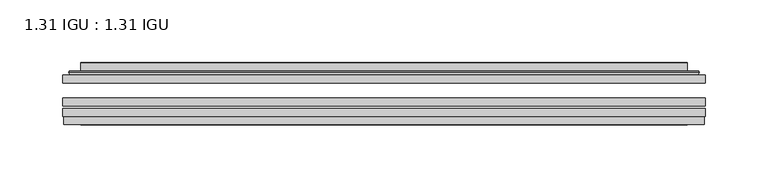
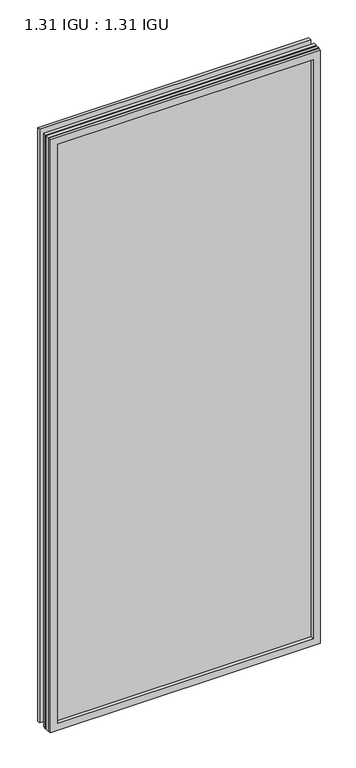
"""IFC4 building model written with IfcOpenShell, lengths in millimetres: plate geometry, 1.31 IGU : 1.31 IGU."""

from ifc_helpers import new_model, si_unit, frame, origin, place, context, project, spatial, polyline, ellipse_curve, outline, extrude, faceted_brep, source, transform, mapped, element, save
from ifc_brep_helpers import plane_surface, cylinder_surface, advanced_brep


def plate_1_31_igu_1_31_igu_9a8dfbed(model_context):
    return source(origin(), model_context, "Body", "SolidModel", [
        extrude(outline(polyline([(255.601675, -63.59525), (255.601675, -69.94525), (-255.5875, -69.94525), (-255.5875, -63.59525), (255.601675, -63.59525)])), frame((0.0, 0.0, -14.2875), z_axis=(0.0, 0.0, 1.0), x_axis=(1.0, 0.0, 0.0)), (0.0, 0.0, 1.0), 1184.2787979),
        extrude(outline(polyline([(-255.5875, -78.58125), (-255.5875, -72.230745), (255.601675, -72.230745), (255.601675, -78.58125), (-255.5875, -78.58125)])), frame((0.0, 0.0, -14.2875), z_axis=(0.0, 0.0, 1.0), x_axis=(1.0, 0.0, 0.0)), (0.0, 0.0, 1.0), 1184.2787979),
        extrude(outline(polyline([(255.601675, -45.25645), (255.601675, -51.60645), (-255.5875, -51.60645), (-255.5875, -45.25645), (255.601675, -45.25645)])), frame((0.0, 0.0, -14.2875), z_axis=(0.0, 0.0, 1.0), x_axis=(1.0, 0.0, 0.0)), (0.0, 0.0, 1.0), 1184.2787979),
        faceted_brep([(-254.8873142, -84.93125, 1169.2873142), (-254.8873142, -78.58125, 1169.2873142), (-254.8873142, -78.58125, -13.5873142), (-254.8873142, -84.93125, -13.5873142), (254.8873142, -78.58125, -13.5873142), (254.8873142, -84.93125, -13.5873142), (254.8873142, -78.58125, 1169.2873142), (254.8873142, -84.93125, 1169.2873142), (-240.4022559, -78.58125, 0.8977441), (240.4022559, -78.58125, 0.8977441), (240.4022559, -78.58125, 1154.8022559), (-240.4022559, -78.58125, 1154.8022559), (-241.2946902, -84.93125, 1155.6946902), (241.2946902, -84.93125, 1155.6946902), (241.2946902, -84.93125, 0.0053098), (-241.2946902, -84.93125, 0.0053098)], [[[0, 1, 2, 3]], [[3, 2, 4, 5]], [[5, 4, 6, 7]], [[1, 6, 4, 2], [8, 9, 10, 11]], [[7, 6, 1, 0]], [[3, 5, 7, 0], [12, 13, 14, 15]], [[11, 12, 15, 8]], [[8, 15, 14, 9]], [[9, 14, 13, 10]], [[10, 13, 12, 11]]]),
        advanced_brep(
        [(-248.346219, -45.25645, 1162.746219), (-250.7004244, -43.2667833, 1165.1004244), (-250.7004244, -43.2667833, -9.4004244), (-248.346219, -45.25645, -7.046219), (-239.2718939, -41.416413, 1153.6718939), (-234.3370621, -45.25645, 1148.7370621), (-234.3370621, -45.25645, 6.9629379), (-239.2718939, -41.416413, 2.0281061), (-240.3039217, -36.0191819, 1154.7039217), (-240.3039217, -36.0191819, 0.9960783), (-241.2945784, -35.6202069, 1155.6945784), (-241.2945784, -35.6202069, 0.0054216), (-241.2945784, -42.08145, 1155.6945784), (-241.2945784, -42.08145, 0.0054216), (-249.6986349, -42.08145, 1164.0986349), (-249.6986349, -42.08145, -8.3986349), (250.7004244, -43.2667833, -9.4004244), (248.346219, -45.25645, -7.046219), (234.3370621, -45.25645, 6.9629379), (239.2718939, -41.416413, 2.0281061), (240.3039217, -36.0191819, 0.9960783), (241.2945784, -35.6202069, 0.0054216), (241.2945784, -42.08145, 0.0054216), (249.6986349, -42.08145, -8.3986349), (250.7004244, -43.2667833, 1165.1004244), (248.346219, -45.25645, 1162.746219), (234.3370621, -45.25645, 1148.7370621), (239.2718939, -41.416413, 1153.6718939), (240.3039217, -36.0191819, 1154.7039217), (241.2945784, -35.6202069, 1155.6945784), (241.2945784, -42.08145, 1155.6945784), (249.6986349, -42.08145, 1164.0986349)],
        [
            (0, 1, ellipse_curve(frame((-248.346219, -42.86885, 1162.746219), z_axis=(-0.7071067811865475, 0.0, -0.7071067811865475), x_axis=(-0.7071067811865474, 0.0, 0.7071067811865476)), 3.3765763, 2.3876)),
            (1, 2),
            (2, 3, ellipse_curve(frame((-248.346219, -42.86885, -7.046219), z_axis=(-0.7071067811865475, 0.0, 0.7071067811865475), x_axis=(0.7071067811865474, 0.0, 0.7071067811865476)), 3.3765763, 2.3876)),
            (3, 0),
            (4, 5),
            (5, 6),
            (6, 7),
            (7, 4),
            (8, 4),
            (7, 9),
            (9, 8),
            (10, 8, ellipse_curve(frame((-240.9276219, -36.1384423, 1155.3276219), z_axis=(-0.7071067811865475, 0.0, -0.7071067811865475), x_axis=(-0.7071067811865474, 0.0, 0.7071067811865476)), 0.8980256, 0.635)),
            (9, 11, ellipse_curve(frame((-240.9276219, -36.1384423, 0.3723781), z_axis=(-0.7071067811865475, 0.0, 0.7071067811865475), x_axis=(0.7071067811865474, 0.0, 0.7071067811865476)), 0.8980256, 0.635)),
            (11, 10),
            (12, 10),
            (11, 13),
            (13, 12),
            (1, 14, ellipse_curve(frame((-249.6986349, -43.09745, 1164.0986349), z_axis=(-0.7071067811865475, 0.0, -0.7071067811865475), x_axis=(-0.7071067811865474, 0.0, 0.7071067811865476)), 1.436841, 1.016)),
            (14, 15),
            (15, 2, ellipse_curve(frame((-249.6986349, -43.09745, -8.3986349), z_axis=(-0.7071067811865475, 0.0, 0.7071067811865475), x_axis=(0.7071067811865474, 0.0, 0.7071067811865476)), 1.436841, 1.016)),
            (2, 16),
            (16, 17, ellipse_curve(frame((248.346219, -42.86885, -7.046219), z_axis=(-0.7071067811865475, 0.0, -0.7071067811865475), x_axis=(-0.7071067811865476, 0.0, 0.7071067811865474)), 3.3765763, 2.3876)),
            (17, 3),
            (6, 18),
            (18, 19),
            (19, 7),
            (19, 20),
            (20, 9),
            (20, 21, ellipse_curve(frame((240.9276219, -36.1384423, 0.3723781), z_axis=(-0.7071067811865475, 0.0, -0.7071067811865475), x_axis=(-0.7071067811865476, 0.0, 0.7071067811865474)), 0.8980256, 0.635)),
            (21, 11),
            (21, 22),
            (22, 13),
            (15, 23),
            (23, 16, ellipse_curve(frame((249.6986349, -43.09745, -8.3986349), z_axis=(-0.7071067811865475, 0.0, -0.7071067811865475), x_axis=(-0.7071067811865476, 0.0, 0.7071067811865474)), 1.436841, 1.016)),
            (16, 24),
            (24, 25, ellipse_curve(frame((248.346219, -42.86885, 1162.746219), z_axis=(0.7071067811865475, 0.0, -0.7071067811865475), x_axis=(-0.7071067811865474, 0.0, -0.7071067811865476)), 3.3765763, 2.3876)),
            (25, 17),
            (18, 26),
            (26, 27),
            (27, 19),
            (27, 28),
            (28, 20),
            (28, 29, ellipse_curve(frame((240.9276219, -36.1384423, 1155.3276219), z_axis=(0.7071067811865475, 0.0, -0.7071067811865475), x_axis=(-0.7071067811865474, 0.0, -0.7071067811865476)), 0.8980256, 0.635)),
            (29, 21),
            (29, 30),
            (30, 22),
            (23, 31),
            (31, 24, ellipse_curve(frame((249.6986349, -43.09745, 1164.0986349), z_axis=(0.7071067811865475, 0.0, -0.7071067811865475), x_axis=(-0.7071067811865474, 0.0, -0.7071067811865476)), 1.436841, 1.016)),
            (24, 1),
            (0, 25),
            (5, 26),
            (4, 27),
            (8, 28),
            (10, 29),
            (12, 30),
            (14, 31),
        ],
        [
            cylinder_surface(frame((-248.346219, -42.86885, 1187.45), z_axis=(0.0, 0.0, 1.0), x_axis=(-1.0, 0.0, 0.0)), 2.3876),
            plane_surface(frame((-234.3370621, -45.25645, 1148.7370621), z_axis=(0.6141233906514794, 0.7892100234124821, 0.0), x_axis=(0.0, 0.0, -1.0))),
            plane_surface(frame((-239.2718939, -41.416413, 1153.6718939), z_axis=(0.9822050625507729, 0.18781164793386076, 0.0), x_axis=(0.0, 0.0, -1.0))),
            cylinder_surface(frame((-240.9276219, -36.1384423, 1187.45), z_axis=(0.0, 0.0, 1.0), x_axis=(-1.0, 0.0, 0.0)), 0.635),
            plane_surface(frame((-241.2945784, -35.6202069, 1155.6945784), z_axis=(-1.0, 0.0, 0.0), x_axis=(0.0, 0.0, -1.0))),
            cylinder_surface(frame((-249.6986349, -43.09745, 1187.45), z_axis=(0.0, 0.0, 1.0), x_axis=(-1.0, 0.0, 0.0)), 1.016),
            cylinder_surface(frame((-273.05, -42.86885, -7.046219), z_axis=(-1.0, 0.0, 0.0), x_axis=(0.0, 0.0, -1.0)), 2.3876),
            plane_surface(frame((-234.3370621, -45.25645, 6.9629379), z_axis=(0.0, 0.7892100234124841, 0.6141233906514768), x_axis=(1.0, 0.0, 0.0))),
            plane_surface(frame((-239.2718939, -41.416413, 2.0281061), z_axis=(0.0, 0.18781164793386393, 0.9822050625507723), x_axis=(1.0, 0.0, 0.0))),
            cylinder_surface(frame((-273.05, -36.1384423, 0.3723781), z_axis=(-1.0, 0.0, 0.0), x_axis=(0.0, 0.0, -1.0)), 0.635),
            plane_surface(frame((-241.2945784, -35.6202069, 0.0054216), z_axis=(0.0, 0.0, -1.0), x_axis=(1.0, 0.0, 0.0))),
            cylinder_surface(frame((-273.05, -43.09745, -8.3986349), z_axis=(-1.0, 0.0, 0.0), x_axis=(0.0, 0.0, -1.0)), 1.016),
            cylinder_surface(frame((248.346219, -42.86885, -31.75), z_axis=(0.0, 0.0, -1.0), x_axis=(1.0, 0.0, 0.0)), 2.3876),
            plane_surface(frame((234.3370621, -45.25645, 6.9629379), z_axis=(-0.6141233906514743, 0.7892100234124861, 0.0), x_axis=(0.0, 0.0, 1.0))),
            plane_surface(frame((239.2718939, -41.416413, 2.0281061), z_axis=(-0.9822050625507718, 0.1878116479338671, 0.0), x_axis=(0.0, 0.0, 1.0))),
            cylinder_surface(frame((240.9276219, -36.1384423, -31.75), z_axis=(0.0, 0.0, -1.0), x_axis=(1.0, 0.0, 0.0)), 0.635),
            plane_surface(frame((241.2945784, -35.6202069, 0.0054216), z_axis=(1.0, 0.0, 0.0), x_axis=(0.0, 0.0, 1.0))),
            cylinder_surface(frame((249.6986349, -43.09745, -31.75), z_axis=(0.0, 0.0, -1.0), x_axis=(1.0, 0.0, 0.0)), 1.016),
            cylinder_surface(frame((273.05, -42.86885, 1162.746219), z_axis=(1.0, 0.0, 0.0), x_axis=(0.0, 0.0, 1.0)), 2.3876),
            plane_surface(frame((248.346219, -45.25645, 1162.746219), z_axis=(0.0, -1.0, 0.0), x_axis=(-1.0, 0.0, 0.0))),
            plane_surface(frame((234.3370621, -45.25645, 1148.7370621), z_axis=(0.0, 0.7892100234124841, -0.6141233906514768), x_axis=(-1.0, 0.0, 0.0))),
            plane_surface(frame((239.2718939, -41.416413, 1153.6718939), z_axis=(0.0, 0.18781164793386393, -0.9822050625507723), x_axis=(-1.0, 0.0, 0.0))),
            cylinder_surface(frame((273.05, -36.1384423, 1155.3276219), z_axis=(1.0, 0.0, 0.0), x_axis=(0.0, 0.0, 1.0)), 0.635),
            plane_surface(frame((241.2945784, -35.6202069, 1155.6945784), z_axis=(0.0, 0.0, 1.0), x_axis=(-1.0, 0.0, 0.0))),
            plane_surface(frame((241.2945784, -42.08145, 1155.6945784), z_axis=(0.0, 1.0, 0.0), x_axis=(-1.0, 0.0, 0.0))),
            cylinder_surface(frame((273.05, -43.09745, 1164.0986349), z_axis=(1.0, 0.0, 0.0), x_axis=(0.0, 0.0, 1.0)), 1.016),
        ],
        [
            (0, [[1, 2, 3, 4]]),
            (1, [[5, 6, 7, 8]]),
            (2, [[9, -8, 10, 11]]),
            (3, [[12, -11, 13, 14]]),
            (4, [[15, -14, 16, 17]]),
            (5, [[18, 19, 20, -2]]),
            (6, [[-3, 21, 22, 23]]),
            (7, [[-7, 24, 25, 26]]),
            (8, [[-10, -26, 27, 28]]),
            (9, [[-13, -28, 29, 30]]),
            (10, [[-16, -30, 31, 32]]),
            (11, [[-20, 33, 34, -21]]),
            (12, [[-22, 35, 36, 37]]),
            (13, [[-25, 38, 39, 40]]),
            (14, [[-27, -40, 41, 42]]),
            (15, [[-29, -42, 43, 44]]),
            (16, [[-31, -44, 45, 46]]),
            (17, [[-34, 47, 48, -35]]),
            (18, [[-36, 49, -1, 50]]),
            (19, [[-23, -37, -50, -4], [51, -38, -24, -6]]),
            (20, [[-39, -51, -5, 52]]),
            (21, [[-41, -52, -9, 53]]),
            (22, [[-43, -53, -12, 54]]),
            (23, [[-45, -54, -15, 55]]),
            (24, [[56, -47, -33, -19], [-32, -46, -55, -17]]),
            (25, [[-48, -56, -18, -49]]),
        ],
    ),
    ])


if __name__ == "__main__":
    model = new_model("IFC4")
    model_context = context("Model", 3, world=origin())
    ifc_project = project(units=[si_unit("LENGTHUNIT", "METRE", prefix="MILLI")], contexts=[model_context])
    site = spatial("IfcSite", under=ifc_project)
    building = spatial("IfcBuilding", under=site)
    placement = place(None, origin())
    plate_1_31_igu_1_31_igu_shape = plate_1_31_igu_1_31_igu_9a8dfbed(model_context)
    element("IfcPlate", 1, ObjectType="1.31 IGU : 1.31 IGU", at=placement, inside=building, context=model_context, shape_type="MappedRepresentation", body=[
        mapped(plate_1_31_igu_1_31_igu_shape, transform((0.0, 0.0, 0.0), x_axis=(1.0, 0.0, 0.0), y_axis=(0.0, 1.0, 0.0), z_axis=(0.0, 0.0, 1.0))),
    ])
    save(model, "model.ifc")
